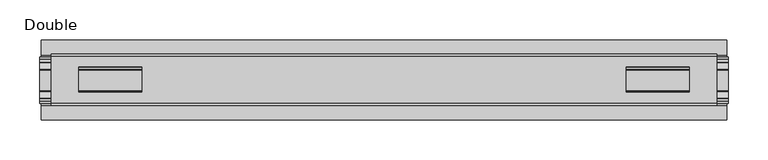
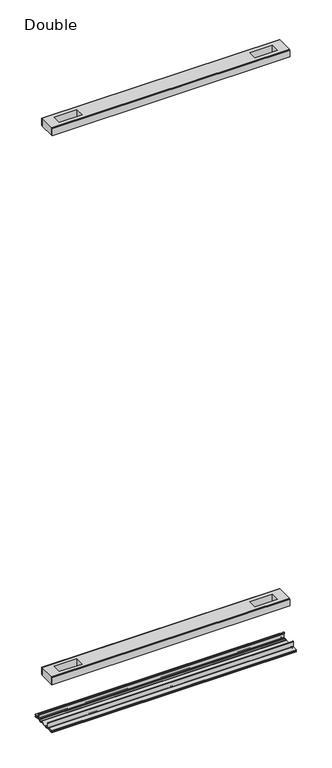
"""IFC4 building model written with IfcOpenShell, lengths in millimetres: proxy geometry, Double."""

from ifc_helpers import new_model, si_unit, point, frame, frame_2d, origin, place, context, project, spatial, polyline, circle_curve, trimmed, segment, composite_curve, outline, extrude, source, transform, mapped, element, save


def double_d2202901(model_context):
    return source(origin(), model_context, "Body", "SweptSolid", [
        extrude(outline(polyline([(417.1410582, 29.0068005), (-417.1410582, 29.0068005), (-417.1410582, 32.1817997), (417.1410582, 32.1817997), (417.1410582, 29.0068005)])), frame((0.0, 0.0, 2186.2851593), z_axis=(0.0, 0.0, 1.0), x_axis=(1.0, 0.0, 0.0)), (0.0, 0.0, 1.0), 25.3999939),
        extrude(outline(polyline([(417.1410582, -32.1817997), (-417.1410582, -32.1817997), (-417.1410582, -29.0068005), (417.1410582, -29.0068005), (417.1410582, -32.1817997)])), frame((0.0, 0.0, 2186.2851593), z_axis=(0.0, 0.0, 1.0), x_axis=(1.0, 0.0, 0.0)), (0.0, 0.0, 1.0), 25.3999939),
        extrude(outline(polyline([(417.1410582, -29.0068005), (-417.1410582, -29.0068005), (-417.1410582, 29.0068005), (417.1410582, 29.0068005), (417.1410582, -29.0068005)]), holes=[polyline([(382.7240456, -15.1130038), (382.7240456, 15.875003), (303.6792337, 15.875003), (303.6792337, -15.1130038), (382.7240456, -15.1130038)]), polyline([(-382.7240456, -15.1130038), (-303.6792337, -15.1130038), (-303.6792337, 15.875003), (-382.7240456, 15.875003), (-382.7240456, -15.1130038)])]), frame((0.0, 0.0, 2184.9851569), z_axis=(0.0, 0.0, 1.0), x_axis=(1.0, 0.0, 0.0)), (0.0, 0.0, 1.0), 27.9999988),
        extrude(outline(polyline([(417.1410582, 29.0068005), (-417.1410582, 29.0068005), (-417.1410582, 32.1817997), (417.1410582, 32.1817997), (417.1410582, 29.0068005)])), frame((0.0, 0.0, 149.8401622), z_axis=(0.0, 0.0, 1.0), x_axis=(1.0, 0.0, 0.0)), (0.0, 0.0, 1.0), 25.3999939),
        extrude(outline(polyline([(417.1410582, -32.1817997), (-417.1410582, -32.1817997), (-417.1410582, -29.0068005), (417.1410582, -29.0068005), (417.1410582, -32.1817997)])), frame((0.0, 0.0, 149.8401622), z_axis=(0.0, 0.0, 1.0), x_axis=(1.0, 0.0, 0.0)), (0.0, 0.0, 1.0), 25.3999939),
        extrude(outline(polyline([(417.1410582, -29.0068005), (-417.1410582, -29.0068005), (-417.1410582, 29.0068005), (417.1410582, 29.0068005), (417.1410582, -29.0068005)]), holes=[polyline([(382.7240456, -15.1130038), (382.7240456, 15.875003), (303.6792337, 15.875003), (303.6792337, -15.1130038), (382.7240456, -15.1130038)]), polyline([(-382.7240456, -15.1130038), (-303.6792337, -15.1130038), (-303.6792337, 15.875003), (-382.7240456, 15.875003), (-382.7240456, -15.1130038)])]), frame((0.0, 0.0, 148.4185847), z_axis=(0.0, 0.0, 1.0), x_axis=(1.0, 0.0, 0.0)), (0.0, 0.0, 1.0), 27.9999988),
        extrude(outline(composite_curve([segment(trimmed(circle_curve(frame_2d((26.6420561, -7.7516037)), 2.17424), [point((28.8162961, -7.7516037))], [point((26.6420561, -9.9258438))], False, "CARTESIAN"), True, "CONTINUOUS"), segment(polyline([(26.6420561, -9.9258438), (22.3510694, -9.9258438)]), True, "CONTINUOUS"), segment(trimmed(circle_curve(frame_2d((17.7706549, -6.4800016)), 5.7318431), [point((22.3510694, -9.9258438))], [point((13.1902404, -9.9258438))], False, "CARTESIAN"), True, "CONTINUOUS"), segment(polyline([(13.1902404, -9.9258438), (-13.57124, -9.9258438)]), True, "CONTINUOUS"), segment(trimmed(circle_curve(frame_2d((-18.1516545, -6.4800016)), 5.7318431), [point((-13.57124, -9.9258438))], [point((-22.732069, -9.9258438))], False, "CARTESIAN"), True, "CONTINUOUS"), segment(polyline([(-22.732069, -9.9258438), (-27.0230557, -9.9258438)]), True, "CONTINUOUS"), segment(trimmed(circle_curve(frame_2d((-27.0230557, -7.7516037)), 2.17424), [point((-27.0230557, -9.9258438))], [point((-29.1972958, -7.7516037))], False, "CARTESIAN"), True, "CONTINUOUS"), segment(polyline([(-29.1972958, -7.7516037), (-29.1972958, 9.8607558)]), True, "CONTINUOUS"), segment(trimmed(circle_curve(frame_2d((-27.9780978, 9.8607558)), 1.2191979), [point((-29.1972958, 9.8607558))], [point((-26.7588999, 9.8607558))], False, "CARTESIAN"), True, "CONTINUOUS"), segment(polyline([(-26.7588999, 9.8607558), (-26.7588999, 5.9999563), (-28.0390765, 5.9999563), (-28.0390765, -7.7516037)]), True, "CONTINUOUS"), segment(trimmed(circle_curve(frame_2d((-27.0230557, -7.7516037)), 1.0160208), [point((-28.0390765, -7.7516037))], [point((-27.0295728, -8.7676036))], True, "CARTESIAN"), True, "CONTINUOUS"), segment(polyline([(-27.0295728, -8.7676036), (-23.0866222, -8.7676036), (-22.1732605, -8.968753)]), True, "CONTINUOUS"), segment(trimmed(circle_curve(frame_2d((-18.1483018, -6.1259382)), 4.9276657), [point((-22.1732605, -8.968753))], [point((-14.123343, -8.968753))], True, "CARTESIAN"), True, "CONTINUOUS"), segment(polyline([(-14.123343, -8.968753), (-13.2099722, -8.7676036), (12.8289726, -8.7676036), (13.7423434, -8.968753)]), True, "CONTINUOUS"), segment(trimmed(circle_curve(frame_2d((17.7673021, -6.1259382)), 4.9276657), [point((13.7423434, -8.968753))], [point((21.7922609, -8.968753))], True, "CARTESIAN"), True, "CONTINUOUS"), segment(polyline([(21.7922609, -8.968753), (22.7056226, -8.7676036), (26.6485732, -8.7676036)]), True, "CONTINUOUS"), segment(trimmed(circle_curve(frame_2d((26.6420561, -7.7516037)), 1.0160208), [point((26.6485732, -8.7676036))], [point((27.6580769, -7.7516037))], True, "CARTESIAN"), True, "CONTINUOUS"), segment(polyline([(27.6580769, -7.7516037), (27.6580769, 5.9999563), (26.3779003, 5.9999563), (26.3779003, 9.8607558)]), True, "CONTINUOUS"), segment(trimmed(circle_curve(frame_2d((27.5970982, 9.8607558)), 1.2191979), [point((26.3779003, 9.8607558))], [point((28.8162961, 9.8607558))], False, "CARTESIAN"), True, "CONTINUOUS"), segment(polyline([(28.8162961, 9.8607558), (28.8162961, -7.7516037)]), True, "CONTINUOUS")], self_intersect=False)), frame((-431.199949, 0.0, 0.0), z_axis=(1.0, 0.0, 0.0), x_axis=(0.0, 1.0, 0.0)), (0.0, 0.0, 1.0), 862.3998981),
        extrude(outline(composite_curve([segment(polyline([(50.2668422, -13.9898438), (39.6557522, -13.9898438)]), True, "CONTINUOUS"), segment(trimmed(circle_curve(frame_2d((39.6557522, -12.4658438)), 1.524), [point((39.6557522, -13.9898438))], [point((38.1317522, -12.4658438))], False, "CARTESIAN"), True, "CONTINUOUS"), segment(polyline([(38.1317522, -12.4658438), (38.1317522, -7.766844), (31.3054974, -7.766844), (31.3054974, -10.0528438)]), True, "CONTINUOUS"), segment(trimmed(circle_curve(frame_2d((29.7814974, -10.0528438)), 1.524), [point((31.3054974, -10.0528438))], [point((29.7814974, -11.5768438))], False, "CARTESIAN"), True, "CONTINUOUS"), segment(polyline([(29.7814974, -11.5768438), (23.2753553, -11.5768438)]), True, "CONTINUOUS"), segment(trimmed(circle_curve(frame_2d((17.7673021, -6.4968436)), 7.4930002), [point((23.2753553, -11.5768438))], [point((12.5094972, -11.8354331))], False, "CARTESIAN"), True, "CONTINUOUS"), segment(polyline([(12.5094972, -11.8354331), (-12.8904968, -11.8354331)]), True, "CONTINUOUS"), segment(trimmed(circle_curve(frame_2d((-18.1483018, -6.4968436)), 7.4930002), [point((-12.8904968, -11.8354331))], [point((-23.6563549, -11.5768438))], False, "CARTESIAN"), True, "CONTINUOUS"), segment(polyline([(-23.6563549, -11.5768438), (-30.1624971, -11.5768438)]), True, "CONTINUOUS"), segment(trimmed(circle_curve(frame_2d((-30.1624971, -10.0528438)), 1.524), [point((-30.1624971, -11.5768438))], [point((-31.686497, -10.0528438))], False, "CARTESIAN"), True, "CONTINUOUS"), segment(polyline([(-31.686497, -10.0528438), (-31.686497, -7.766844), (-38.5127519, -7.766844), (-38.5127519, -12.4658438)]), True, "CONTINUOUS"), segment(trimmed(circle_curve(frame_2d((-40.0367518, -12.4658438)), 1.524), [point((-38.5127519, -12.4658438))], [point((-40.0367518, -13.9898438))], False, "CARTESIAN"), True, "CONTINUOUS"), segment(polyline([(-40.0367518, -13.9898438), (-50.00625, -13.9898438), (-50.00625, -12.3388438), (-40.1637503, -12.3388438), (-40.1637503, -7.766844), (-50.00625, -7.766844), (-50.00625, -6.1158439), (-31.6239218, -6.1158439)]), True, "CONTINUOUS"), segment(trimmed(circle_curve(frame_2d((-31.6864982, -7.7656583)), 1.6510007), [point((-31.6239218, -6.1158439))], [point((-30.0354975, -7.7656583))], False, "CARTESIAN"), True, "CONTINUOUS"), segment(polyline([(-30.0354975, -7.7656583), (-30.0354975, -9.9258438), (-23.486834, -9.9258438)]), True, "CONTINUOUS"), segment(trimmed(circle_curve(frame_2d((-18.1483018, -5.2268471)), 7.1119966), [point((-23.486834, -9.9258438))], [point((-12.8097695, -9.9258438))], True, "CARTESIAN"), True, "CONTINUOUS"), segment(polyline([(-12.8097695, -9.9258438), (12.4287699, -9.9258438)]), True, "CONTINUOUS"), segment(trimmed(circle_curve(frame_2d((17.7673021, -5.2268471)), 7.1119966), [point((12.4287699, -9.9258438))], [point((23.1058344, -9.9258438))], True, "CARTESIAN"), True, "CONTINUOUS"), segment(polyline([(23.1058344, -9.9258438), (29.6544978, -9.9258438), (29.6544978, -7.6398436)]), True, "CONTINUOUS"), segment(trimmed(circle_curve(frame_2d((31.1784975, -7.6398436)), 1.5239997), [point((29.6544978, -7.6398436))], [point((31.1784975, -6.1158439))], False, "CARTESIAN"), True, "CONTINUOUS"), segment(polyline([(31.1784975, -6.1158439), (50.2668422, -6.1158439), (50.2240211, -7.766844), (39.7827507, -7.766844), (39.7827507, -12.3388438), (50.2240211, -12.3388438), (50.2668422, -13.9898438)]), True, "CONTINUOUS")], self_intersect=False)), frame((-429.548949, 0.0, 0.0), z_axis=(1.0, 0.0, 0.0), x_axis=(0.0, 1.0, 0.0)), (0.0, 0.0, 1.0), 859.0978981),
    ])


if __name__ == "__main__":
    model = new_model("IFC4")
    model_context = context("Model", 3, world=origin())
    ifc_project = project(units=[si_unit("LENGTHUNIT", "METRE", prefix="MILLI")], contexts=[model_context])
    site = spatial("IfcSite", under=ifc_project)
    building = spatial("IfcBuilding", under=site)
    placement = place(None, origin())
    double_shape = double_d2202901(model_context)
    element("IfcBuildingElementProxy", 1, Name="Double", ObjectType="Double", at=placement, inside=building, context=model_context, shape_type="MappedRepresentation", body=[
        mapped(double_shape, transform((0.0, 0.0, 0.0), x_axis=(1.0, 0.0, 0.0), y_axis=(0.0, 1.0, 0.0), z_axis=(0.0, 0.0, 1.0))),
    ])
    save(model, "model.ifc")
